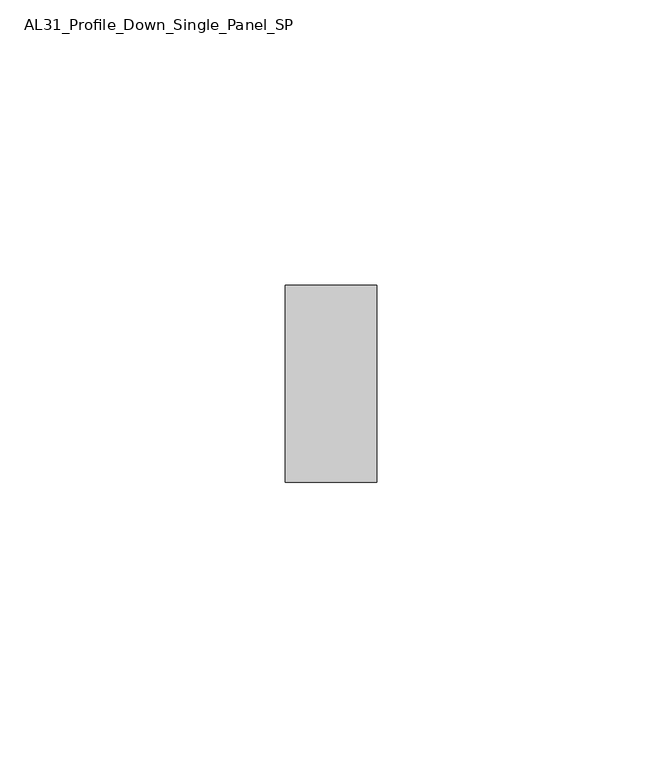
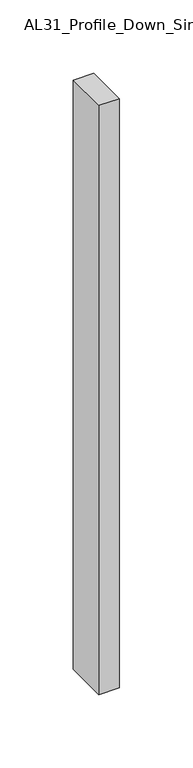
"""IFC4 building model written with IfcOpenShell, lengths in millimetres: member geometry, AL31_Profile_Down_Single_Panel_SP."""

from ifc_helpers import new_model, si_unit, frame, origin, place, context, project, spatial, polyline, outline, extrude, source, transform, mapped, element, save


def al31_profile_down_single_panel_sp_8804362c(model_context):
    return source(origin(), model_context, "Body", "SweptSolid", [
        extrude(outline(polyline([(0.0, -17.25), (-16.0, -17.25), (-16.0, 17.25), (0.0, 17.25), (0.0, -17.25)])), frame((0.0, 0.0, -489.8), z_axis=(0.0, 0.0, 1.0), x_axis=(1.0, 0.0, 0.0)), (0.0, 0.0, 1.0), 489.8),
    ])


if __name__ == "__main__":
    model = new_model("IFC4")
    model_context = context("Model", 3, world=origin())
    ifc_project = project(units=[si_unit("LENGTHUNIT", "METRE", prefix="MILLI")], contexts=[model_context])
    site = spatial("IfcSite", under=ifc_project)
    building = spatial("IfcBuilding", under=site)
    placement = place(None, origin())
    al31_profile_down_single_panel_sp_shape = al31_profile_down_single_panel_sp_8804362c(model_context)
    element("IfcMember", 1, ObjectType="AL31_Profile_Down_Single_Panel_SP", at=placement, inside=building, context=model_context, shape_type="MappedRepresentation", body=[
        mapped(al31_profile_down_single_panel_sp_shape, transform((0.0, 0.0, 0.0), x_axis=(1.0, 0.0, 0.0), y_axis=(0.0, 1.0, 0.0), z_axis=(0.0, 0.0, 1.0))),
    ])
    save(model, "model.ifc")
